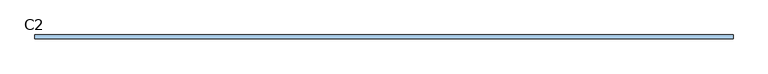
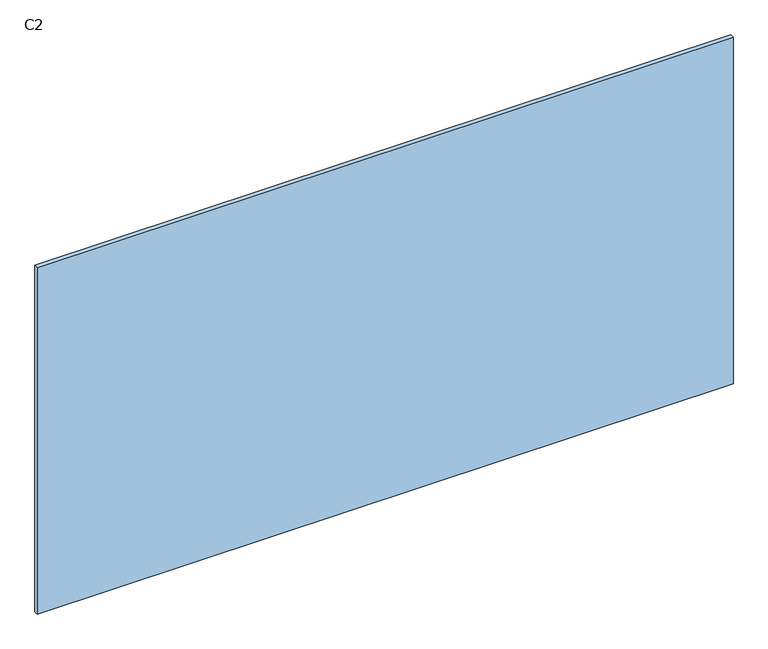
"""IFC4 building model written with IfcOpenShell, lengths in millimetres: window geometry, C2."""

from ifc_helpers import new_model, si_unit, frame, origin, place, context, project, spatial, polyline, outline, extrude, source, transform, mapped, element, save


def c2_1e5e06f4(model_context):
    return source(origin(), model_context, "Body", "SweptSolid", [
        extrude(outline(polyline([(950.0, -5.0), (-950.0, -5.0), (-950.0, 5.0), (950.0, 5.0), (950.0, -5.0)])), frame((0.0, 0.0, 800.0), z_axis=(0.0, 0.0, 1.0), x_axis=(1.0, 0.0, 0.0)), (0.0, 0.0, 1.0), 1000.0),
    ])


if __name__ == "__main__":
    model = new_model("IFC4")
    model_context = context("Model", 3, world=origin())
    ifc_project = project(units=[si_unit("LENGTHUNIT", "METRE", prefix="MILLI")], contexts=[model_context])
    site = spatial("IfcSite", under=ifc_project)
    building = spatial("IfcBuilding", under=site)
    placement = place(None, origin())
    c2_shape = c2_1e5e06f4(model_context)
    element("IfcWindow", 1, ObjectType="C2", at=placement, inside=building, context=model_context, shape_type="MappedRepresentation", body=[
        mapped(c2_shape, transform((0.0, 0.0, 0.0), x_axis=(1.0, 0.0, 0.0), y_axis=(0.0, 1.0, 0.0), z_axis=(0.0, 0.0, 1.0))),
    ])
    save(model, "model.ifc")
